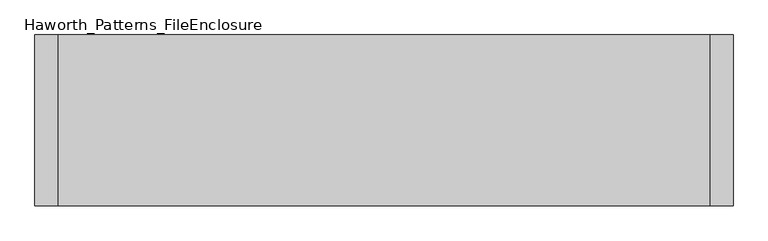
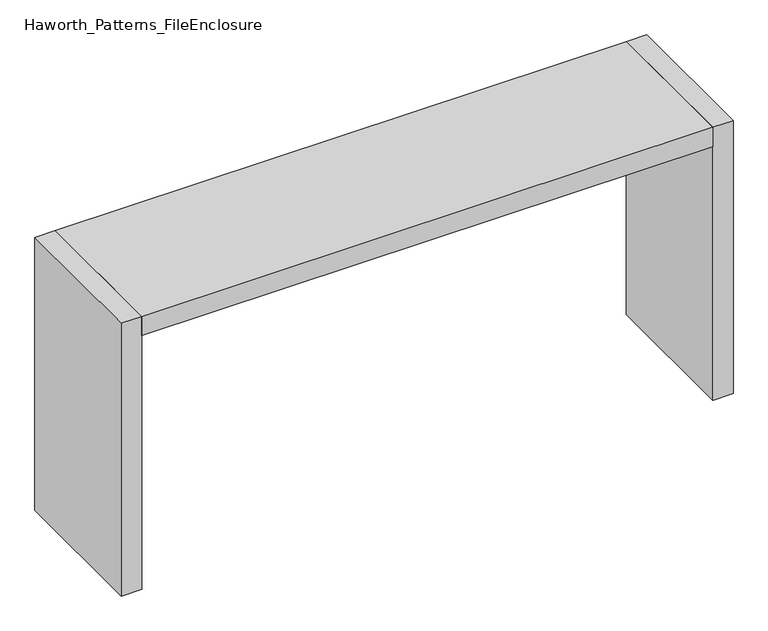
"""IFC4 building model written with IfcOpenShell, lengths in millimetres: furniture geometry, Haworth_Patterns_FileEnclosure."""

from ifc_helpers import new_model, si_unit, frame, origin, origin_with_axes, place, context, project, spatial, polyline, outline, extrude, source, transform, mapped, element, save


def haworth_patterns_fileenclosure_0683d7ae(model_context):
    return source(origin(), model_context, "Body", "SweptSolid", [
        extrude(outline(polyline([(1066.8, 0.0), (1066.8, -558.8), (-1066.8, -558.8), (-1066.8, 0.0), (1066.8, 0.0)])), frame((0.0, 0.0, 1003.3), z_axis=(0.0, 0.0, 1.0), x_axis=(1.0, 0.0, 0.0)), (0.0, 0.0, 1.0), 76.2),
        extrude(outline(polyline([(1066.8, 0.0), (1143.0, 0.0), (1143.0, -558.8), (1066.8, -558.8), (1066.8, 0.0)])), origin_with_axes(), (0.0, 0.0, 1.0), 1079.5),
        extrude(outline(polyline([(-1066.8, 0.0), (-1066.8, -558.8), (-1143.0, -558.8), (-1143.0, 0.0), (-1066.8, 0.0)])), origin_with_axes(), (0.0, 0.0, 1.0), 1079.5),
    ])


if __name__ == "__main__":
    model = new_model("IFC4")
    model_context = context("Model", 3, world=origin())
    ifc_project = project(units=[si_unit("LENGTHUNIT", "METRE", prefix="MILLI")], contexts=[model_context])
    site = spatial("IfcSite", under=ifc_project)
    building = spatial("IfcBuilding", under=site)
    placement = place(None, origin())
    haworth_patterns_fileenclosure_shape = haworth_patterns_fileenclosure_0683d7ae(model_context)
    element("IfcFurniture", 1, ObjectType="Haworth_Patterns_FileEnclosure", at=placement, inside=building, context=model_context, shape_type="MappedRepresentation", body=[
        mapped(haworth_patterns_fileenclosure_shape, transform((0.0, 0.0, 0.0), x_axis=(1.0, 0.0, 0.0), y_axis=(0.0, 1.0, 0.0), z_axis=(0.0, 0.0, 1.0))),
    ])
    save(model, "model.ifc")
